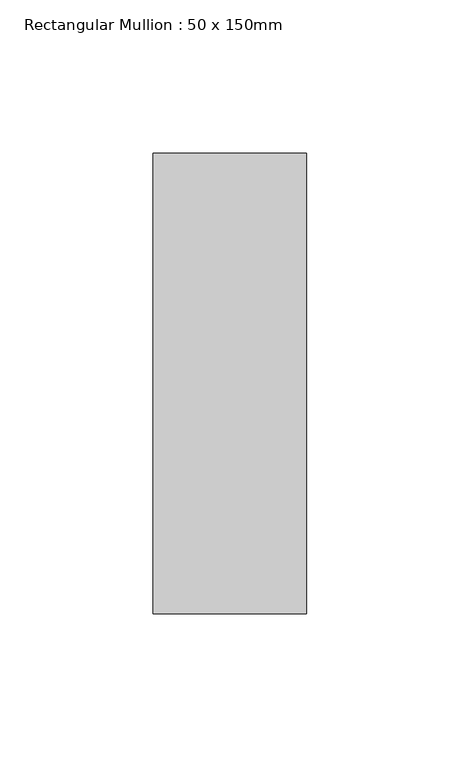
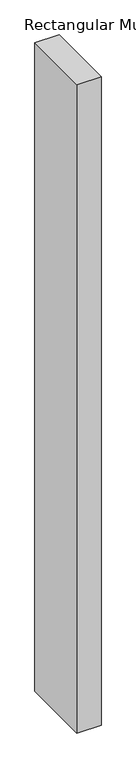
"""IFC4 building model written with IfcOpenShell, lengths in millimetres: member geometry, Rectangular Mullion : 50 x 150mm."""

from ifc_helpers import new_model, si_unit, frame, origin, place, context, project, spatial, polyline, outline, extrude, source, transform, mapped, element, save


def rectangular_mullion_50_x_150mm_68e1f0ab(model_context):
    return source(origin(), model_context, "Body", "SweptSolid", [
        extrude(outline(polyline([(0.0, 75.0), (0.0, -75.0), (-50.0, -75.0), (-50.0, 75.0), (0.0, 75.0)])), frame((0.0, 0.0, -1417.1052632), z_axis=(0.0, 0.0, 1.0), x_axis=(1.0, 0.0, 0.0)), (0.0, 0.0, 1.0), 1417.1052632),
    ])


if __name__ == "__main__":
    model = new_model("IFC4")
    model_context = context("Model", 3, world=origin())
    ifc_project = project(units=[si_unit("LENGTHUNIT", "METRE", prefix="MILLI")], contexts=[model_context])
    site = spatial("IfcSite", under=ifc_project)
    building = spatial("IfcBuilding", under=site)
    placement = place(None, origin())
    rectangular_mullion_50_x_150mm_shape = rectangular_mullion_50_x_150mm_68e1f0ab(model_context)
    element("IfcMember", 1, ObjectType="Rectangular Mullion : 50 x 150mm", at=placement, inside=building, context=model_context, shape_type="MappedRepresentation", body=[
        mapped(rectangular_mullion_50_x_150mm_shape, transform((0.0, 0.0, 0.0), x_axis=(1.0, 0.0, 0.0), y_axis=(0.0, 1.0, 0.0), z_axis=(0.0, 0.0, 1.0))),
    ])
    save(model, "model.ifc")
